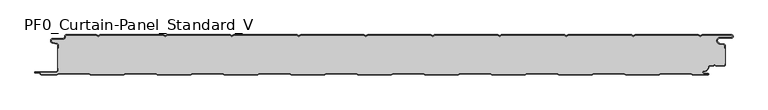
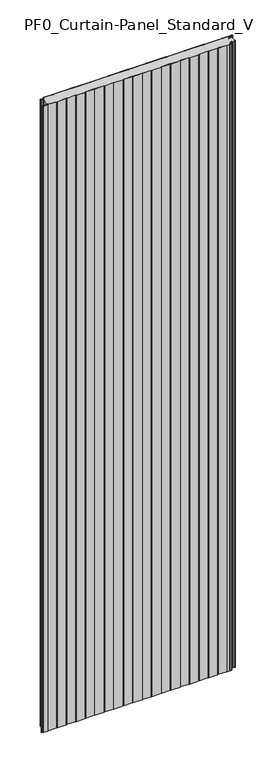
"""IFC4 building model written with IfcOpenShell, lengths in millimetres: plate geometry, PF0_Curtain-Panel_Standard_V."""

from ifc_helpers import new_model, si_unit, point, frame_2d, origin, origin_with_axes, place, context, project, spatial, polyline, circle_curve, trimmed, segment, composite_curve, outline, extrude, source, transform, mapped, element, save


def pf0_curtain_panel_standard_v_a7d19277(model_context):
    return source(origin(), model_context, "Body", "SweptSolid", [
        extrude(outline(composite_curve([segment(trimmed(circle_curve(frame_2d((-502.0, -15.878557)), 2.0), [point((-500.0, -15.878557))], [point((-501.5500978, -13.9298169))], True, "CARTESIAN"), True, "CONTINUOUS"), segment(polyline([(-501.5500978, -13.9298169), (-507.7098239, -12.507732)]), True, "CONTINUOUS"), segment(trimmed(circle_curve(frame_2d((-506.9, -9.0)), 3.6), [point((-507.7098239, -12.507732))], [point((-506.9, -5.4))], False, "CARTESIAN"), True, "CONTINUOUS"), segment(polyline([(-506.9, -5.4), (-491.4, -5.4)]), True, "CONTINUOUS"), segment(trimmed(circle_curve(frame_2d((-491.4, -3.4)), 2.0), [point((-491.4, -5.4))], [point((-489.4, -3.4))], True, "CARTESIAN"), True, "CONTINUOUS"), segment(polyline([(-489.4, -3.4), (-489.4, -2.0)]), True, "CONTINUOUS"), segment(trimmed(circle_curve(frame_2d((-487.4, -2.0)), 2.0), [point((-489.4, -2.0))], [point((-487.4, 0.0))], False, "CARTESIAN"), True, "CONTINUOUS"), segment(polyline([(-487.4, 0.0), (-442.0999995, 0.0), (-439.4, -1.5588455), (-436.7000005, 0.0), (-342.0999995, 0.0), (-339.4, -1.5588455), (-336.7000005, 0.0), (-242.0999995, 0.0), (-239.4, -1.5588455), (-236.7000005, 0.0), (-142.0999995, 0.0), (-139.4, -1.5588455), (-136.7000005, 0.0), (-42.0999995, 0.0), (-39.4, -1.5588455), (-36.7000005, 0.0), (57.9000005, 0.0), (60.6, -1.5588455), (63.2999995, 0.0), (157.9000005, 0.0), (160.6, -1.5588455), (163.2999995, 0.0), (257.9000005, 0.0), (260.6, -1.5588455), (263.2999995, 0.0), (357.9000005, 0.0), (360.6, -1.5588455), (363.2999995, 0.0), (457.9000005, 0.0), (460.6, -1.5588455), (463.2999995, 0.0), (507.268846, 0.0)]), True, "CONTINUOUS"), segment(trimmed(circle_curve(frame_2d((507.268846, -2.5)), 2.5), [point((507.268846, 0.0))], [point((507.268846, -5.0))], False, "CARTESIAN"), True, "CONTINUOUS"), segment(polyline([(507.268846, -5.0), (490.268846, -5.0)]), True, "CONTINUOUS"), segment(trimmed(circle_curve(frame_2d((490.268846, -9.0)), 4.0), [point((490.268846, -5.0))], [point((489.574253, -12.939231))], True, "CARTESIAN"), True, "CONTINUOUS"), segment(polyline([(489.574253, -12.939231), (496.0203315, -14.0758491)]), True, "CONTINUOUS"), segment(trimmed(circle_curve(frame_2d((495.568846, -16.6363492)), 2.6), [point((496.0203315, -14.0758491))], [point((498.168846, -16.6363492))], False, "CARTESIAN"), True, "CONTINUOUS"), segment(polyline([(498.168846, -16.6363492), (498.168846, -20.0), (497.368846, -20.0), (497.368846, -16.6363492)]), True, "CONTINUOUS"), segment(trimmed(circle_curve(frame_2d((495.568846, -16.6363492)), 1.8), [point((497.368846, -16.6363492))], [point((495.8814129, -14.8636953))], True, "CARTESIAN"), True, "CONTINUOUS"), segment(polyline([(495.8814129, -14.8636953), (489.4353344, -13.7270772)]), True, "CONTINUOUS"), segment(trimmed(circle_curve(frame_2d((490.268846, -9.0)), 4.8), [point((489.4353344, -13.7270772))], [point((490.268846, -4.2))], False, "CARTESIAN"), True, "CONTINUOUS"), segment(polyline([(490.268846, -4.2), (507.268846, -4.2)]), True, "CONTINUOUS"), segment(trimmed(circle_curve(frame_2d((507.268846, -2.5)), 1.7), [point((507.268846, -4.2))], [point((507.268846, -0.8))], True, "CARTESIAN"), True, "CONTINUOUS"), segment(polyline([(507.268846, -0.8), (463.5143588, -0.8), (460.6, -2.482606), (457.6856412, -0.8), (363.5143588, -0.8), (360.6, -2.482606), (357.6856412, -0.8), (263.5143588, -0.8), (260.6, -2.482606), (257.6856412, -0.8), (163.5143588, -0.8), (160.6, -2.482606), (157.6856412, -0.8), (63.5143588, -0.8), (60.6, -2.482606), (57.6856412, -0.8), (-36.4856412, -0.8), (-39.4, -2.482606), (-42.3143588, -0.8), (-136.4856412, -0.8), (-139.4, -2.482606), (-142.3143588, -0.8), (-236.4856412, -0.8), (-239.4, -2.482606), (-242.3143588, -0.8), (-336.4856412, -0.8), (-339.4, -2.482606), (-342.3143588, -0.8), (-436.4856412, -0.8), (-439.4, -2.482606), (-442.3143588, -0.8), (-487.4, -0.8)]), True, "CONTINUOUS"), segment(trimmed(circle_curve(frame_2d((-487.4, -2.0)), 1.2), [point((-487.4, -0.8))], [point((-488.6, -2.0))], True, "CARTESIAN"), True, "CONTINUOUS"), segment(polyline([(-488.6, -2.0), (-488.6, -3.4)]), True, "CONTINUOUS"), segment(trimmed(circle_curve(frame_2d((-491.4, -3.4)), 2.8), [point((-488.6, -3.4))], [point((-491.4, -6.2))], False, "CARTESIAN"), True, "CONTINUOUS"), segment(polyline([(-491.4, -6.2), (-506.9, -6.2)]), True, "CONTINUOUS"), segment(trimmed(circle_curve(frame_2d((-506.9, -9.0)), 2.8), [point((-506.9, -6.2))], [point((-507.529863, -11.7282362))], True, "CARTESIAN"), True, "CONTINUOUS"), segment(polyline([(-507.529863, -11.7282362), (-501.370137, -13.150321)]), True, "CONTINUOUS"), segment(trimmed(circle_curve(frame_2d((-502.0, -15.878557)), 2.8), [point((-501.370137, -13.150321))], [point((-499.2, -15.878557))], False, "CARTESIAN"), True, "CONTINUOUS"), segment(polyline([(-499.2, -15.878557), (-499.2, -20.0), (-500.0, -20.0), (-500.0, -15.878557)]), True, "CONTINUOUS")], self_intersect=False)), origin_with_axes(), (0.0, 0.0, 1.0), 3500.0),
        extrude(outline(composite_curve([segment(polyline([(-499.2, -50.0), (-500.0, -50.0), (-500.0, -20.0), (-499.2, -20.0), (-499.2, -15.878557)]), True, "CONTINUOUS"), segment(trimmed(circle_curve(frame_2d((-502.0, -15.878557)), 2.8), [point((-499.2, -15.878557))], [point((-501.370137, -13.1503208))], True, "CARTESIAN"), True, "CONTINUOUS"), segment(polyline([(-501.370137, -13.1503208), (-507.529863, -11.7282362)]), True, "CONTINUOUS"), segment(trimmed(circle_curve(frame_2d((-506.9, -9.0)), 2.8), [point((-507.529863, -11.7282362))], [point((-506.9, -6.2))], False, "CARTESIAN"), True, "CONTINUOUS"), segment(polyline([(-506.9, -6.2), (-491.4, -6.2)]), True, "CONTINUOUS"), segment(trimmed(circle_curve(frame_2d((-491.4, -3.4)), 2.8), [point((-491.4, -6.2))], [point((-488.6, -3.4))], True, "CARTESIAN"), True, "CONTINUOUS"), segment(polyline([(-488.6, -3.4), (-488.6, -2.0)]), True, "CONTINUOUS"), segment(trimmed(circle_curve(frame_2d((-487.4, -2.0)), 1.2), [point((-488.6, -2.0))], [point((-487.4, -0.8))], False, "CARTESIAN"), True, "CONTINUOUS"), segment(polyline([(-487.4, -0.8), (-442.3143588, -0.8), (-439.4, -2.482606), (-436.4856412, -0.8), (-342.3143588, -0.8), (-339.4, -2.482606), (-336.4856412, -0.8), (-242.3143588, -0.8), (-239.4, -2.482606), (-236.4856412, -0.8), (-142.3143588, -0.8), (-139.4, -2.482606), (-136.4856412, -0.8), (-42.3143588, -0.8), (-39.4, -2.482606), (-36.4856412, -0.8), (57.6856412, -0.8), (60.6, -2.482606), (63.5143588, -0.8), (157.6856412, -0.8), (160.6, -2.482606), (163.5143588, -0.8), (257.6856412, -0.8), (260.6, -2.482606), (263.5143588, -0.8), (357.6856412, -0.8), (360.6, -2.482606), (363.5143588, -0.8), (457.6856412, -0.8), (460.6, -2.482606), (463.5143588, -0.8), (507.268846, -0.8)]), True, "CONTINUOUS"), segment(trimmed(circle_curve(frame_2d((507.268846, -2.5)), 1.7), [point((507.268846, -0.8))], [point((507.268846, -4.2))], False, "CARTESIAN"), True, "CONTINUOUS"), segment(polyline([(507.268846, -4.2), (490.268846, -4.2)]), True, "CONTINUOUS"), segment(trimmed(circle_curve(frame_2d((490.268846, -9.0)), 4.8), [point((490.268846, -4.2))], [point((489.4353344, -13.7270772))], True, "CARTESIAN"), True, "CONTINUOUS"), segment(polyline([(489.4353344, -13.7270772), (495.8814129, -14.8636953)]), True, "CONTINUOUS"), segment(trimmed(circle_curve(frame_2d((495.568846, -16.6363492)), 1.8), [point((495.8814129, -14.8636953))], [point((497.368846, -16.6363492))], False, "CARTESIAN"), True, "CONTINUOUS"), segment(polyline([(497.368846, -16.6363492), (497.368846, -20.0), (498.168846, -20.0), (498.168846, -43.0), (497.368846, -43.0), (497.368846, -44.4)]), True, "CONTINUOUS"), segment(trimmed(circle_curve(frame_2d((495.568846, -44.4)), 1.8), [point((497.368846, -44.4))], [point((495.568846, -46.2))], False, "CARTESIAN"), True, "CONTINUOUS"), segment(polyline([(495.568846, -46.2), (484.0002158, -46.2), (482.168846, -44.3686285), (480.3374762, -46.2), (474.168846, -46.2)]), True, "CONTINUOUS"), segment(trimmed(circle_curve(frame_2d((474.168846, -48.0)), 1.8), [point((474.168846, -46.2))], [point((472.368846, -48.0))], True, "CARTESIAN"), True, "CONTINUOUS"), segment(polyline([(472.368846, -48.0), (472.368846, -48.8276204)]), True, "CONTINUOUS"), segment(trimmed(circle_curve(frame_2d((466.9964664, -48.8276204)), 5.3723796), [point((472.368846, -48.8276204))], [point((466.9964664, -54.2))], False, "CARTESIAN"), True, "CONTINUOUS"), segment(polyline([(466.9964664, -54.2), (466.168846, -54.2)]), True, "CONTINUOUS"), segment(trimmed(circle_curve(frame_2d((466.168846, -56.4)), 2.2), [point((466.168846, -54.2))], [point((466.168846, -58.6))], True, "CARTESIAN"), True, "CONTINUOUS"), segment(polyline([(466.168846, -58.6), (472.0579973, -58.6)]), True, "CONTINUOUS"), segment(trimmed(circle_curve(frame_2d((472.0579973, -58.9)), 0.3), [point((472.0579973, -58.6))], [point((472.0579973, -59.2))], False, "CARTESIAN"), True, "CONTINUOUS"), segment(polyline([(472.0579973, -59.2), (449.2152562, -59.2), (446.6171786, -57.7), (401.3884624, -57.7), (398.7903848, -59.2), (349.2152562, -59.2), (346.6171786, -57.7), (301.3884624, -57.7), (298.7903848, -59.2), (249.2152562, -59.2), (246.6171786, -57.7), (201.3884624, -57.7), (198.7903848, -59.2), (149.2152562, -59.2), (146.6171786, -57.7), (101.3884624, -57.7), (98.7903848, -59.2), (49.2152562, -59.2), (46.6171786, -57.7), (1.3884624, -57.7), (-1.2096152, -59.2), (-50.7847438, -59.2), (-53.3828214, -57.7), (-98.6115376, -57.7), (-101.2096152, -59.2), (-150.7847438, -59.2), (-153.3828214, -57.7), (-198.6115376, -57.7), (-201.2096152, -59.2), (-250.7847438, -59.2), (-253.3828214, -57.7), (-298.6115376, -57.7), (-301.2096152, -59.2), (-350.7847438, -59.2), (-353.3828214, -57.7), (-398.6115376, -57.7), (-401.2096152, -59.2), (-450.7847438, -59.2), (-453.3828214, -57.7), (-498.6115376, -57.7), (-501.2096152, -59.2), (-524.4, -59.2)]), True, "CONTINUOUS"), segment(trimmed(circle_curve(frame_2d((-524.4, -58.4)), 0.8), [point((-524.4, -59.2))], [point((-525.2, -58.4))], False, "CARTESIAN"), True, "CONTINUOUS"), segment(trimmed(circle_curve(frame_2d((-526.9, -58.6133333)), 1.7133333), [point((-525.2, -58.4))], [point((-526.9, -56.9))], True, "CARTESIAN"), True, "CONTINUOUS"), segment(polyline([(-526.9, -56.9), (-532.8700312, -56.9)]), True, "CONTINUOUS"), segment(trimmed(circle_curve(frame_2d((-532.8700312, -56.6)), 0.3), [point((-532.8700312, -56.9))], [point((-532.8700312, -56.3))], False, "CARTESIAN"), True, "CONTINUOUS"), segment(polyline([(-532.8700312, -56.3), (-502.0, -56.3)]), True, "CONTINUOUS"), segment(trimmed(circle_curve(frame_2d((-502.0, -53.5)), 2.8), [point((-502.0, -56.3))], [point((-499.2, -53.5))], True, "CARTESIAN"), True, "CONTINUOUS"), segment(polyline([(-499.2, -53.5), (-499.2, -50.0)]), True, "CONTINUOUS")], self_intersect=False)), origin_with_axes(), (0.0, 0.0, 1.0), 3500.0),
        extrude(outline(composite_curve([segment(polyline([(-500.0, -50.0), (-499.2, -50.0), (-499.2, -53.5)]), True, "CONTINUOUS"), segment(trimmed(circle_curve(frame_2d((-502.0, -53.5)), 2.8), [point((-499.2, -53.5))], [point((-502.0, -56.3))], False, "CARTESIAN"), True, "CONTINUOUS"), segment(polyline([(-502.0, -56.3), (-532.8700312, -56.3)]), True, "CONTINUOUS"), segment(trimmed(circle_curve(frame_2d((-532.8700312, -56.6)), 0.3), [point((-532.8700312, -56.3))], [point((-532.8700312, -56.9))], True, "CARTESIAN"), True, "CONTINUOUS"), segment(polyline([(-532.8700312, -56.9), (-526.9, -56.9)]), True, "CONTINUOUS"), segment(trimmed(circle_curve(frame_2d((-526.9, -58.6133333)), 1.7133333), [point((-526.9, -56.9))], [point((-525.2, -58.4))], False, "CARTESIAN"), True, "CONTINUOUS"), segment(trimmed(circle_curve(frame_2d((-524.4, -58.4)), 0.8), [point((-525.2, -58.4))], [point((-524.4, -59.2))], True, "CARTESIAN"), True, "CONTINUOUS"), segment(polyline([(-524.4, -59.2), (-501.2096152, -59.2), (-498.6115376, -57.7), (-453.3828214, -57.7), (-450.7847438, -59.2), (-401.2096152, -59.2), (-398.6115376, -57.7), (-353.3828214, -57.7), (-350.7847438, -59.2), (-301.2096152, -59.2), (-298.6115376, -57.7), (-253.3828214, -57.7), (-250.7847438, -59.2), (-201.2096152, -59.2), (-198.6115376, -57.7), (-153.3828214, -57.7), (-150.7847438, -59.2), (-101.2096152, -59.2), (-98.6115376, -57.7), (-53.3828214, -57.7), (-50.7847438, -59.2), (-1.2096152, -59.2), (1.3884624, -57.7), (46.6171786, -57.7), (49.2152562, -59.2), (98.7903848, -59.2), (101.3884624, -57.7), (146.6171786, -57.7), (149.2152562, -59.2), (198.7903848, -59.2), (201.3884624, -57.7), (246.6171786, -57.7), (249.2152562, -59.2), (298.7903848, -59.2), (301.3884624, -57.7), (346.6171786, -57.7), (349.2152562, -59.2), (398.7903848, -59.2), (401.3884624, -57.7), (446.6171786, -57.7), (449.2152562, -59.2), (472.0579973, -59.2)]), True, "CONTINUOUS"), segment(trimmed(circle_curve(frame_2d((472.0579973, -58.9)), 0.3), [point((472.0579973, -59.2))], [point((472.0579973, -58.6))], True, "CARTESIAN"), True, "CONTINUOUS"), segment(polyline([(472.0579973, -58.6), (466.168846, -58.6)]), True, "CONTINUOUS"), segment(trimmed(circle_curve(frame_2d((466.168846, -56.4)), 2.2), [point((466.168846, -58.6))], [point((466.168846, -54.2))], False, "CARTESIAN"), True, "CONTINUOUS"), segment(polyline([(466.168846, -54.2), (466.9964664, -54.2)]), True, "CONTINUOUS"), segment(trimmed(circle_curve(frame_2d((466.9964664, -48.8276204)), 5.3723796), [point((466.9964664, -54.2))], [point((472.368846, -48.8276204))], True, "CARTESIAN"), True, "CONTINUOUS"), segment(polyline([(472.368846, -48.8276204), (472.368846, -48.0)]), True, "CONTINUOUS"), segment(trimmed(circle_curve(frame_2d((474.168846, -48.0)), 1.8), [point((472.368846, -48.0))], [point((474.168846, -46.2))], False, "CARTESIAN"), True, "CONTINUOUS"), segment(polyline([(474.168846, -46.2), (480.3374762, -46.2), (482.168846, -44.3686285), (484.0002158, -46.2), (495.568846, -46.2)]), True, "CONTINUOUS"), segment(trimmed(circle_curve(frame_2d((495.568846, -44.4)), 1.8), [point((495.568846, -46.2))], [point((497.368846, -44.4))], True, "CARTESIAN"), True, "CONTINUOUS"), segment(polyline([(497.368846, -44.4), (497.368846, -43.0), (498.168846, -43.0), (498.168846, -44.4)]), True, "CONTINUOUS"), segment(trimmed(circle_curve(frame_2d((495.568846, -44.4)), 2.6), [point((498.168846, -44.4))], [point((495.568846, -47.0))], False, "CARTESIAN"), True, "CONTINUOUS"), segment(polyline([(495.568846, -47.0), (483.6688448, -47.0), (482.168846, -45.4999999), (480.6688472, -47.0), (474.168846, -47.0)]), True, "CONTINUOUS"), segment(trimmed(circle_curve(frame_2d((474.168846, -48.0)), 1.0), [point((474.168846, -47.0))], [point((473.168846, -48.0))], True, "CARTESIAN"), True, "CONTINUOUS"), segment(polyline([(473.168846, -48.0), (473.168846, -48.8276204)]), True, "CONTINUOUS"), segment(trimmed(circle_curve(frame_2d((466.9964664, -48.8276204)), 6.1723796), [point((473.168846, -48.8276204))], [point((466.9964664, -55.0))], False, "CARTESIAN"), True, "CONTINUOUS"), segment(polyline([(466.9964664, -55.0), (466.168846, -55.0)]), True, "CONTINUOUS"), segment(trimmed(circle_curve(frame_2d((466.168846, -56.5)), 1.5), [point((466.168846, -55.0))], [point((466.168846, -58.0))], True, "CARTESIAN"), True, "CONTINUOUS"), segment(polyline([(466.168846, -58.0), (472.168846, -58.0)]), True, "CONTINUOUS"), segment(trimmed(circle_curve(frame_2d((472.168846, -59.0)), 1.0), [point((472.168846, -58.0))], [point((472.168846, -60.0))], False, "CARTESIAN"), True, "CONTINUOUS"), segment(polyline([(472.168846, -60.0), (449.0008969, -60.0), (446.4028193, -58.5), (401.6028217, -58.5), (399.0047441, -60.0), (349.0008969, -60.0), (346.4028193, -58.5), (301.6028217, -58.5), (299.0047441, -60.0), (249.0008969, -60.0), (246.4028193, -58.5), (201.6028217, -58.5), (199.0047441, -60.0), (149.0008969, -60.0), (146.4028193, -58.5), (101.6028217, -58.5), (99.0047441, -60.0), (49.0008969, -60.0), (46.4028193, -58.5), (1.6028217, -58.5), (-0.9952559, -60.0), (-50.9991031, -60.0), (-53.5971807, -58.5), (-98.3971783, -58.5), (-100.9952559, -60.0), (-150.9991031, -60.0), (-153.5971807, -58.5), (-198.3971783, -58.5), (-200.9952559, -60.0), (-250.9991031, -60.0), (-253.5971807, -58.5), (-298.3971783, -58.5), (-300.9952559, -60.0), (-350.9991031, -60.0), (-353.5971807, -58.5), (-398.3971783, -58.5), (-400.9952559, -60.0), (-450.9991031, -60.0), (-453.5971807, -58.5), (-498.3971783, -58.5), (-500.9952559, -60.0), (-524.4, -60.0)]), True, "CONTINUOUS"), segment(trimmed(circle_curve(frame_2d((-524.4, -58.4)), 1.6), [point((-524.4, -60.0))], [point((-526.0, -58.4))], False, "CARTESIAN"), True, "CONTINUOUS"), segment(trimmed(circle_curve(frame_2d((-526.9, -58.4)), 0.9), [point((-526.0, -58.4))], [point((-526.9, -57.5))], True, "CARTESIAN"), True, "CONTINUOUS"), segment(polyline([(-526.9, -57.5), (-533.0, -57.5)]), True, "CONTINUOUS"), segment(trimmed(circle_curve(frame_2d((-533.0, -56.5)), 1.0), [point((-533.0, -57.5))], [point((-533.0, -55.5))], False, "CARTESIAN"), True, "CONTINUOUS"), segment(polyline([(-533.0, -55.5), (-502.0, -55.5)]), True, "CONTINUOUS"), segment(trimmed(circle_curve(frame_2d((-502.0, -53.5)), 2.0), [point((-502.0, -55.5))], [point((-500.0, -53.5))], True, "CARTESIAN"), True, "CONTINUOUS"), segment(polyline([(-500.0, -53.5), (-500.0, -50.0)]), True, "CONTINUOUS")], self_intersect=False)), origin_with_axes(), (0.0, 0.0, 1.0), 3500.0),
    ])


if __name__ == "__main__":
    model = new_model("IFC4")
    model_context = context("Model", 3, world=origin())
    ifc_project = project(units=[si_unit("LENGTHUNIT", "METRE", prefix="MILLI")], contexts=[model_context])
    site = spatial("IfcSite", under=ifc_project)
    building = spatial("IfcBuilding", under=site)
    placement = place(None, origin())
    pf0_curtain_panel_standard_v_shape = pf0_curtain_panel_standard_v_a7d19277(model_context)
    element("IfcPlate", 1, ObjectType="PF0_Curtain-Panel_Standard_V", at=placement, inside=building, context=model_context, shape_type="MappedRepresentation", body=[
        mapped(pf0_curtain_panel_standard_v_shape, transform((0.0, 0.0, 0.0), x_axis=(1.0, 0.0, 0.0), y_axis=(0.0, 1.0, 0.0), z_axis=(0.0, 0.0, 1.0))),
    ])
    save(model, "model.ifc")
